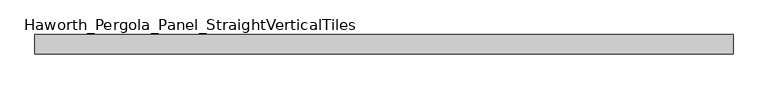
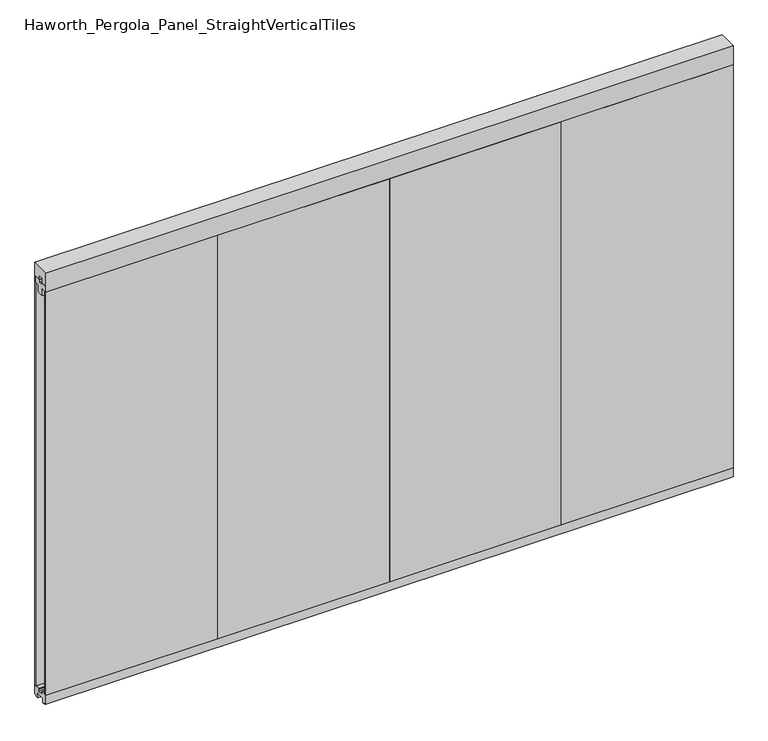
"""IFC4 building model written with IfcOpenShell, lengths in millimetres: furniture geometry, Haworth_Pergola_Panel_StraightVerticalTiles."""

from ifc_helpers import new_model, si_unit, frame, origin, place, context, project, spatial, polyline, outline, extrude, source, transform, mapped, element, save


def haworth_pergola_panel_straightverticaltiles_92c58721(model_context):
    return source(origin(), model_context, "Body", "SweptSolid", [
        extrude(outline(polyline([(12.7, 2363.5890625), (44.45, 2363.5890625), (44.45, 2331.8390625), (19.05, 2331.8390625), (19.05, 2293.7390625), (-19.05, 2293.7390625), (-19.05, 2331.8390625), (-44.45, 2331.8390625), (-44.45, 2363.5890625), (-12.7, 2363.5890625), (-12.7, 2350.8890625), (12.7, 2350.8890625), (12.7, 2363.5890625)])), frame((952.5, 0.0, 0.0), z_axis=(1.0, 0.0, 0.0), x_axis=(0.0, 1.0, 0.0)), (0.0, 0.0, 1.0), 914.4),
        extrude(outline(polyline([(952.5, 50.8), (1866.9, 50.8), (1866.9, 38.1), (952.5, 38.1), (952.5, 50.8)])), frame((0.0, 0.0, 63.5), z_axis=(0.0, 0.0, 1.0), x_axis=(1.0, 0.0, 0.0)), (0.0, 0.0, 1.0), 2268.3390625),
        extrude(outline(polyline([(952.5, -38.1), (1866.9, -38.1), (1866.9, -50.8), (952.5, -50.8), (952.5, -38.1)])), frame((0.0, 0.0, 63.5), z_axis=(0.0, 0.0, 1.0), x_axis=(1.0, 0.0, 0.0)), (0.0, 0.0, 1.0), 2268.3390625),
        extrude(outline(polyline([(12.7, 2363.5890625), (44.45, 2363.5890625), (44.45, 2331.8390625), (19.05, 2331.8390625), (19.05, 2293.7390625), (-19.05, 2293.7390625), (-19.05, 2331.8390625), (-44.45, 2331.8390625), (-44.45, 2363.5890625), (-12.7, 2363.5890625), (-12.7, 2350.8890625), (12.7, 2350.8890625), (12.7, 2363.5890625)])), frame((38.1, 0.0, 0.0), z_axis=(1.0, 0.0, 0.0), x_axis=(0.0, 1.0, 0.0)), (0.0, 0.0, 1.0), 914.4),
        extrude(outline(polyline([(38.1, 50.8), (952.5, 50.8), (952.5, 38.1), (38.1, 38.1), (38.1, 50.8)])), frame((0.0, 0.0, 63.5), z_axis=(0.0, 0.0, 1.0), x_axis=(1.0, 0.0, 0.0)), (0.0, 0.0, 1.0), 2268.3390625),
        extrude(outline(polyline([(38.1, -38.1), (952.5, -38.1), (952.5, -50.8), (38.1, -50.8), (38.1, -38.1)])), frame((0.0, 0.0, 63.5), z_axis=(0.0, 0.0, 1.0), x_axis=(1.0, 0.0, 0.0)), (0.0, 0.0, 1.0), 2268.3390625),
        extrude(outline(polyline([(12.7, 2363.5890625), (44.45, 2363.5890625), (44.45, 2331.8390625), (19.05, 2331.8390625), (19.05, 2293.7390625), (-19.05, 2293.7390625), (-19.05, 2331.8390625), (-44.45, 2331.8390625), (-44.45, 2363.5890625), (-12.7, 2363.5890625), (-12.7, 2350.8890625), (12.7, 2350.8890625), (12.7, 2363.5890625)])), frame((-876.3, 0.0, 0.0), z_axis=(1.0, 0.0, 0.0), x_axis=(0.0, 1.0, 0.0)), (0.0, 0.0, 1.0), 914.4),
        extrude(outline(polyline([(-876.3, 50.8), (38.1, 50.8), (38.1, 38.1), (-876.3, 38.1), (-876.3, 50.8)])), frame((0.0, 0.0, 63.5), z_axis=(0.0, 0.0, 1.0), x_axis=(1.0, 0.0, 0.0)), (0.0, 0.0, 1.0), 2268.3390625),
        extrude(outline(polyline([(-876.3, -38.1), (38.1, -38.1), (38.1, -50.8), (-876.3, -50.8), (-876.3, -38.1)])), frame((0.0, 0.0, 63.5), z_axis=(0.0, 0.0, 1.0), x_axis=(1.0, 0.0, 0.0)), (0.0, 0.0, 1.0), 2268.3390625),
        extrude(outline(polyline([(12.7, 2363.5890625), (44.45, 2363.5890625), (44.45, 2331.8390625), (19.05, 2331.8390625), (19.05, 2293.7390625), (-19.05, 2293.7390625), (-19.05, 2331.8390625), (-44.45, 2331.8390625), (-44.45, 2363.5890625), (-12.7, 2363.5890625), (-12.7, 2350.8890625), (12.7, 2350.8890625), (12.7, 2363.5890625)])), frame((-1790.7, 0.0, 0.0), z_axis=(1.0, 0.0, 0.0), x_axis=(0.0, 1.0, 0.0)), (0.0, 0.0, 1.0), 914.4),
        extrude(outline(polyline([(-1790.7, 50.8), (-876.3, 50.8), (-876.3, 38.1), (-1790.7, 38.1), (-1790.7, 50.8)])), frame((0.0, 0.0, 63.5), z_axis=(0.0, 0.0, 1.0), x_axis=(1.0, 0.0, 0.0)), (0.0, 0.0, 1.0), 2268.3390625),
        extrude(outline(polyline([(-1790.7, -38.1), (-876.3, -38.1), (-876.3, -50.8), (-1790.7, -50.8), (-1790.7, -38.1)])), frame((0.0, 0.0, 63.5), z_axis=(0.0, 0.0, 1.0), x_axis=(1.0, 0.0, 0.0)), (0.0, 0.0, 1.0), 2268.3390625),
        extrude(outline(polyline([(-50.8, 2438.4), (50.8, 2438.4), (50.8, 2331.8390625), (15.2182948, 2331.8390625), (15.2182948, 2388.7001663), (-15.2182948, 2388.7001663), (-15.2182948, 2331.8390625), (-50.8, 2331.8390625), (-50.8, 2438.4)])), frame((-1790.7, 0.0, 0.0), z_axis=(1.0, 0.0, 0.0), x_axis=(0.0, 1.0, 0.0)), (0.0, 0.0, 1.0), 3657.6),
        extrude(outline(polyline([(-16.2000002, 63.5), (-16.5085717, 61.7499999), (-13.3999996, 61.7499999), (-13.3999996, 58.8973461), (-15.4000002, 59.2499999), (-15.4000002, 48.3500004), (15.4000003, 48.3500004), (15.4000003, 59.2499999), (13.3999997, 58.8973461), (13.3999997, 61.7499999), (16.5085718, 61.7499999), (16.2000003, 63.5), (50.0000004, 63.5), (50.0000004, 12.6999985), (40.9499987, 12.6999985), (38.9499981, 10.6999979), (28.9499999, 10.6999979), (28.9499999, 7.6999994), (38.9499981, 7.6999994), (38.9499981, 5.6999988), (23.7499993, 5.6999988), (23.7499993, 31.4500009), (-23.7499992, 31.4500009), (-23.7499992, 5.6999988), (-38.949998, 5.6999988), (-38.949998, 7.6999994), (-28.9499998, 7.6999994), (-28.9499998, 10.6999979), (-38.949998, 10.6999979), (-40.9499986, 12.6999985), (-50.0000003, 12.6999985), (-50.0000003, 63.5), (-16.2000002, 63.5)])), frame((-1790.7, 0.0, 0.0), z_axis=(1.0, 0.0, 0.0), x_axis=(0.0, 1.0, 0.0)), (0.0, 0.0, 1.0), 3657.6),
    ])


if __name__ == "__main__":
    model = new_model("IFC4")
    model_context = context("Model", 3, world=origin())
    ifc_project = project(units=[si_unit("LENGTHUNIT", "METRE", prefix="MILLI")], contexts=[model_context])
    site = spatial("IfcSite", under=ifc_project)
    building = spatial("IfcBuilding", under=site)
    placement = place(None, origin())
    haworth_pergola_panel_straightverticaltiles_shape = haworth_pergola_panel_straightverticaltiles_92c58721(model_context)
    element("IfcFurniture", 1, ObjectType="Haworth_Pergola_Panel_StraightVerticalTiles", at=placement, inside=building, context=model_context, shape_type="MappedRepresentation", body=[
        mapped(haworth_pergola_panel_straightverticaltiles_shape, transform((0.0, 0.0, 0.0), x_axis=(1.0, 0.0, 0.0), y_axis=(0.0, 1.0, 0.0), z_axis=(0.0, 0.0, 1.0))),
    ])
    save(model, "model.ifc")
